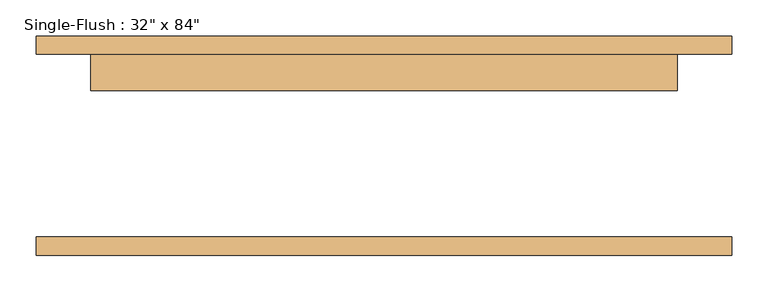
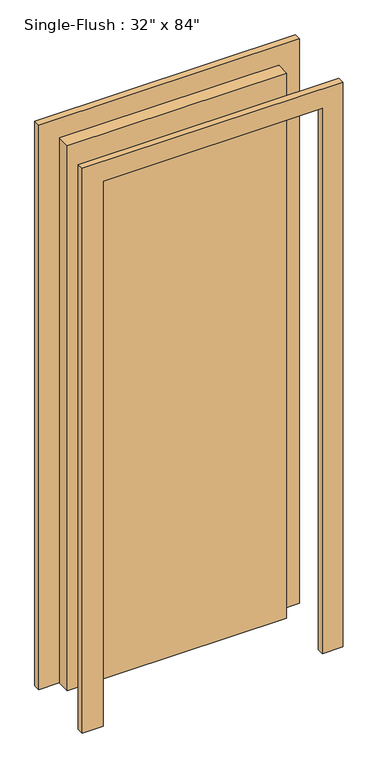
"""IFC4 building model written with IfcOpenShell, lengths in millimetres: door geometry."""

from ifc_helpers import new_model, si_unit, frame, origin, origin_with_axes, place, context, project, spatial, polyline, outline, extrude, source, transform, mapped, element, save


def door_8598bbc8(model_context):
    return source(origin(), model_context, "Body", "SweptSolid", [
        extrude(outline(polyline([(2209.8, -482.6), (0.0, -482.6), (0.0, -406.4), (2133.6, -406.4), (2133.6, 406.4), (0.0, 406.4), (0.0, 482.6), (2209.8, 482.6), (2209.8, -482.6)])), frame((0.0, 127.0, 0.0), z_axis=(0.0, 1.0, 0.0), x_axis=(0.0, 0.0, 1.0)), (0.0, 0.0, 1.0), 25.4),
        extrude(outline(polyline([(2209.8, 482.6), (2209.8, -482.6), (0.0, -482.6), (0.0, -406.4), (2133.6, -406.4), (2133.6, 406.4), (0.0, 406.4), (0.0, 482.6), (2209.8, 482.6)])), frame((0.0, -152.4, 0.0), z_axis=(0.0, 1.0, 0.0), x_axis=(0.0, 0.0, 1.0)), (0.0, 0.0, 1.0), 25.4),
        extrude(outline(polyline([(406.4, 76.2), (-406.4, 76.2), (-406.4, 127.0), (406.4, 127.0), (406.4, 76.2)])), origin_with_axes(), (0.0, 0.0, 1.0), 2133.6),
    ])


if __name__ == "__main__":
    model = new_model("IFC4")
    model_context = context("Model", 3, world=origin())
    ifc_project = project(units=[si_unit("LENGTHUNIT", "METRE", prefix="MILLI")], contexts=[model_context])
    site = spatial("IfcSite", under=ifc_project)
    building = spatial("IfcBuilding", under=site)
    placement = place(None, origin())
    door_shape = door_8598bbc8(model_context)
    element("IfcDoor", 1, ObjectType="Single-Flush : 32\" x 84\"", at=placement, inside=building, context=model_context, shape_type="MappedRepresentation", body=[
        mapped(door_shape, transform((0.0, 0.0, 0.0), x_axis=(1.0, 0.0, 0.0), y_axis=(0.0, 1.0, 0.0), z_axis=(0.0, 0.0, 1.0))),
    ])
    save(model, "model.ifc")
